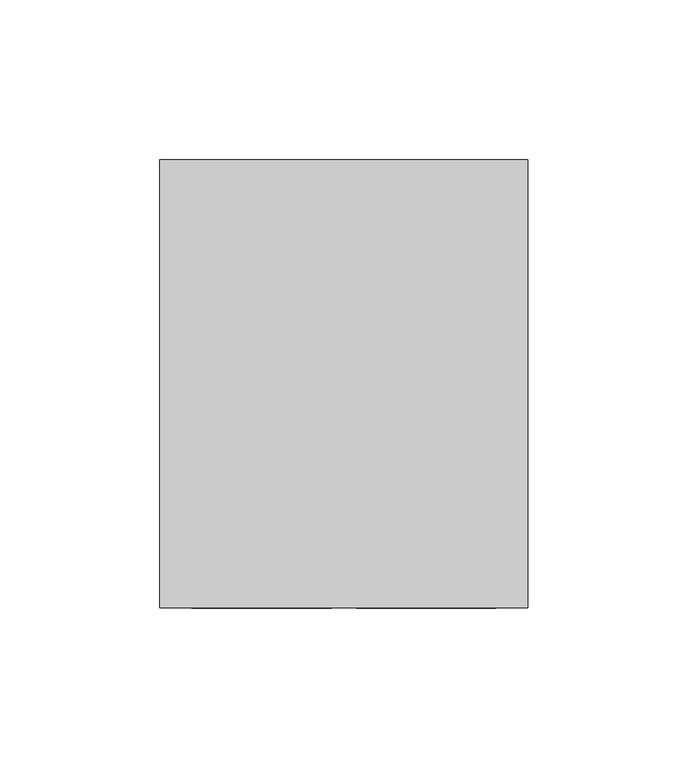
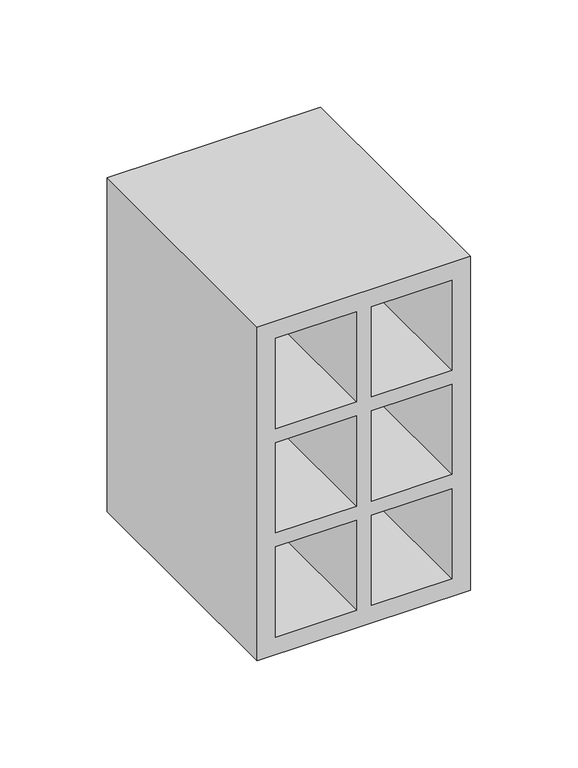
"""IFC4 building model written with IfcOpenShell, lengths in millimetres: proxy geometry."""

from ifc_helpers import new_model, si_unit, frame, origin, place, context, project, spatial, polyline, outline, extrude, source, transform, mapped, element, save


def generic_models_c2a22bde(model_context):
    return source(origin(), model_context, "Body", "SweptSolid", [
        extrude(outline(polyline([(0.0, 115.0), (190.0, 115.0), (190.0, 0.0), (0.0, 0.0), (0.0, 115.0)]), holes=[polyline([(10.0, 61.5), (61.3, 61.5), (61.3, 105.0), (10.0, 105.0), (10.0, 61.5)]), polyline([(10.0, 53.5), (10.0, 10.0), (61.3, 10.0), (61.3, 53.5), (10.0, 53.5)]), polyline([(180.0, 61.5), (180.0, 105.0), (128.7, 105.0), (128.7, 61.5), (180.0, 61.5)]), polyline([(180.0, 53.5), (128.7, 53.5), (128.7, 10.0), (180.0, 10.0), (180.0, 53.5)]), polyline([(120.7, 61.5), (120.7, 105.0), (69.3, 105.0), (69.3, 61.5), (120.7, 61.5)]), polyline([(120.7, 53.5), (69.3, 53.5), (69.3, 10.0), (120.7, 10.0), (120.7, 53.5)])]), frame((0.0, 0.0, 0.0), z_axis=(0.0, 1.0, 0.0), x_axis=(0.0, 0.0, 1.0)), (0.0, 0.0, 1.0), 140.0),
    ])


if __name__ == "__main__":
    model = new_model("IFC4")
    model_context = context("Model", 3, world=origin())
    ifc_project = project(units=[si_unit("LENGTHUNIT", "METRE", prefix="MILLI")], contexts=[model_context])
    site = spatial("IfcSite", under=ifc_project)
    building = spatial("IfcBuilding", under=site)
    placement = place(None, origin())
    generic_models_shape = generic_models_c2a22bde(model_context)
    element("IfcBuildingElementProxy", 1, Name="Generic Models", at=placement, inside=building, context=model_context, shape_type="MappedRepresentation", body=[
        mapped(generic_models_shape, transform((0.0, 0.0, 0.0), x_axis=(1.0, 0.0, 0.0), y_axis=(0.0, 1.0, 0.0), z_axis=(0.0, 0.0, 1.0))),
    ])
    save(model, "model.ifc")
